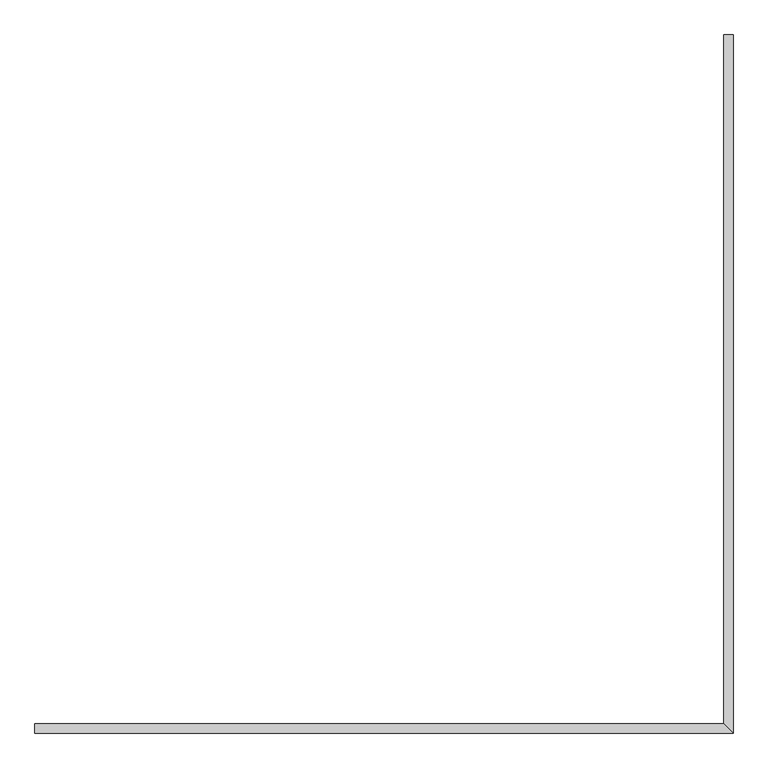
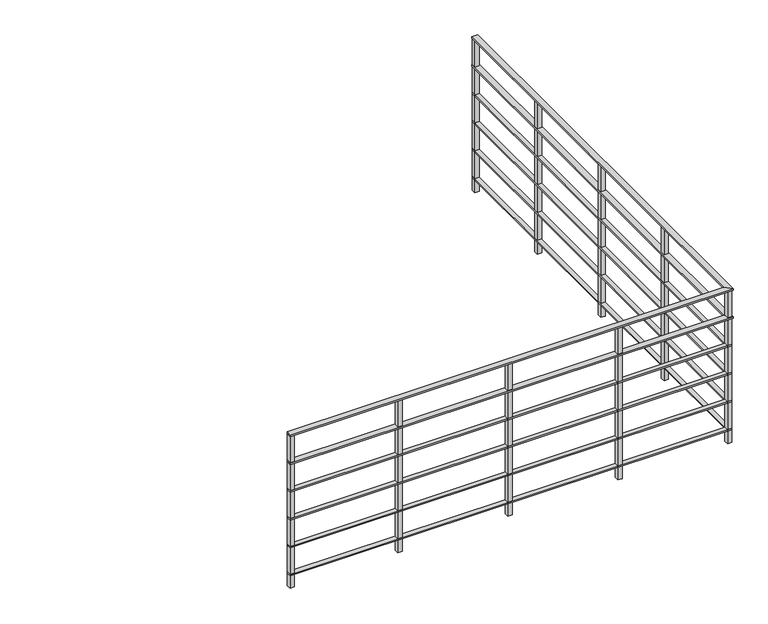
"""IFC4 building model written with IfcOpenShell, lengths in millimetres: railing geometry."""

from ifc_helpers import new_model, si_unit, frame, origin, place, context, project, spatial, polyline, outline, extrude, faceted_brep, source, transform, mapped, element, save


def railing_badc8aff(model_context):
    return source(origin(), model_context, "Body", "SolidModel", [
        faceted_brep([(68891.5540885, -10154.2688696, 4150.0), (68891.5540885, -10114.2688696, 4150.0), (68891.5540885, -10114.2688696, 4140.0), (68891.5540885, -10154.2688696, 4140.0), (71851.5540885, -10114.2688696, 4150.0), (71851.5540885, -10114.2688696, 4140.0), (71891.5540885, -10154.2688696, 4150.0), (71891.5540885, -7154.2688696, 4150.0), (71891.5540885, -7154.2688696, 4140.0), (71851.5540885, -7154.2688696, 4140.0), (71851.5540885, -7154.2688696, 4150.0), (71891.5540885, -10154.2688696, 4140.0)], [[[0, 1, 2, 3]], [[2, 1, 4, 5]], [[1, 0, 6, 4]], [[7, 8, 9, 10]], [[5, 4, 10, 9]], [[4, 6, 7, 10]], [[3, 2, 5, 11]], [[0, 3, 11, 6]], [[11, 5, 9, 8]], [[6, 11, 8, 7]]]),
        faceted_brep([(68891.5540885, -10154.2688696, 3950.0), (68891.5540885, -10114.2688696, 3950.0), (68891.5540885, -10114.2688696, 3940.0), (68891.5540885, -10154.2688696, 3940.0), (71851.5540885, -10114.2688696, 3950.0), (71851.5540885, -10114.2688696, 3940.0), (71891.5540885, -10154.2688696, 3950.0), (71891.5540885, -7154.2688696, 3950.0), (71891.5540885, -7154.2688696, 3940.0), (71851.5540885, -7154.2688696, 3940.0), (71851.5540885, -7154.2688696, 3950.0), (71891.5540885, -10154.2688696, 3940.0)], [[[0, 1, 2, 3]], [[2, 1, 4, 5]], [[1, 0, 6, 4]], [[7, 8, 9, 10]], [[5, 4, 10, 9]], [[4, 6, 7, 10]], [[3, 2, 5, 11]], [[0, 3, 11, 6]], [[11, 5, 9, 8]], [[6, 11, 8, 7]]]),
        faceted_brep([(68891.5540885, -10149.2688696, 3750.0), (68891.5540885, -10119.2688696, 3750.0), (68891.5540885, -10119.2688696, 3740.0), (68891.5540885, -10149.2688696, 3740.0), (71856.5540885, -10119.2688696, 3750.0), (71856.5540885, -10119.2688696, 3740.0), (71886.5540885, -10149.2688696, 3750.0), (71886.5540885, -7154.2688696, 3750.0), (71886.5540885, -7154.2688696, 3740.0), (71856.5540885, -7154.2688696, 3740.0), (71856.5540885, -7154.2688696, 3750.0), (71886.5540885, -10149.2688696, 3740.0)], [[[0, 1, 2, 3]], [[2, 1, 4, 5]], [[1, 0, 6, 4]], [[7, 8, 9, 10]], [[5, 4, 10, 9]], [[4, 6, 7, 10]], [[3, 2, 5, 11]], [[0, 3, 11, 6]], [[11, 5, 9, 8]], [[6, 11, 8, 7]]]),
        faceted_brep([(68891.5540885, -10149.2688696, 3550.0), (68891.5540885, -10119.2688696, 3550.0), (68891.5540885, -10119.2688696, 3540.0), (68891.5540885, -10149.2688696, 3540.0), (71856.5540885, -10119.2688696, 3550.0), (71856.5540885, -10119.2688696, 3540.0), (71886.5540885, -10149.2688696, 3550.0), (71886.5540885, -7154.2688696, 3550.0), (71886.5540885, -7154.2688696, 3540.0), (71856.5540885, -7154.2688696, 3540.0), (71856.5540885, -7154.2688696, 3550.0), (71886.5540885, -10149.2688696, 3540.0)], [[[0, 1, 2, 3]], [[2, 1, 4, 5]], [[1, 0, 6, 4]], [[7, 8, 9, 10]], [[5, 4, 10, 9]], [[4, 6, 7, 10]], [[3, 2, 5, 11]], [[0, 3, 11, 6]], [[11, 5, 9, 8]], [[6, 11, 8, 7]]]),
        faceted_brep([(68891.5540885, -10149.2688696, 3350.0), (68891.5540885, -10119.2688696, 3350.0), (68891.5540885, -10119.2688696, 3340.0), (68891.5540885, -10149.2688696, 3340.0), (71856.5540885, -10119.2688696, 3350.0), (71856.5540885, -10119.2688696, 3340.0), (71886.5540885, -10149.2688696, 3350.0), (71886.5540885, -7154.2688696, 3350.0), (71886.5540885, -7154.2688696, 3340.0), (71856.5540885, -7154.2688696, 3340.0), (71856.5540885, -7154.2688696, 3350.0), (71886.5540885, -10149.2688696, 3340.0)], [[[0, 1, 2, 3]], [[2, 1, 4, 5]], [[1, 0, 6, 4]], [[7, 8, 9, 10]], [[5, 4, 10, 9]], [[4, 6, 7, 10]], [[3, 2, 5, 11]], [[0, 3, 11, 6]], [[11, 5, 9, 8]], [[6, 11, 8, 7]]]),
        faceted_brep([(68891.5540885, -10149.2688696, 3150.0), (68891.5540885, -10119.2688696, 3150.0), (68891.5540885, -10119.2688696, 3140.0), (68891.5540885, -10149.2688696, 3140.0), (71856.5540885, -10119.2688696, 3150.0), (71856.5540885, -10119.2688696, 3140.0), (71886.5540885, -10149.2688696, 3150.0), (71886.5540885, -7154.2688696, 3150.0), (71886.5540885, -7154.2688696, 3140.0), (71856.5540885, -7154.2688696, 3140.0), (71856.5540885, -7154.2688696, 3150.0), (71886.5540885, -10149.2688696, 3140.0)], [[[0, 1, 2, 3]], [[2, 1, 4, 5]], [[1, 0, 6, 4]], [[7, 8, 9, 10]], [[5, 4, 10, 9]], [[4, 6, 7, 10]], [[3, 2, 5, 11]], [[0, 3, 11, 6]], [[11, 5, 9, 8]], [[6, 11, 8, 7]]]),
        extrude(outline(polyline([(71886.5540885, -7914.2688696), (71856.5540885, -7914.2688696), (71856.5540885, -7884.2688696), (71886.5540885, -7884.2688696), (71886.5540885, -7914.2688696)])), frame((0.0, 0.0, 3050.0), z_axis=(0.0, 0.0, 1.0), x_axis=(1.0, 0.0, 0.0)), (0.0, 0.0, 1.0), 1090.0),
        extrude(outline(polyline([(71886.5540885, -8659.2688696), (71856.5540885, -8659.2688696), (71856.5540885, -8629.2688696), (71886.5540885, -8629.2688696), (71886.5540885, -8659.2688696)])), frame((0.0, 0.0, 3050.0), z_axis=(0.0, 0.0, 1.0), x_axis=(1.0, 0.0, 0.0)), (0.0, 0.0, 1.0), 1090.0),
        extrude(outline(polyline([(71886.5540885, -9404.2688696), (71856.5540885, -9404.2688696), (71856.5540885, -9374.2688696), (71886.5540885, -9374.2688696), (71886.5540885, -9404.2688696)])), frame((0.0, 0.0, 3050.0), z_axis=(0.0, 0.0, 1.0), x_axis=(1.0, 0.0, 0.0)), (0.0, 0.0, 1.0), 1090.0),
        extrude(outline(polyline([(71886.5540885, -10149.2688696), (71856.5540885, -10149.2688696), (71856.5540885, -10119.2688696), (71886.5540885, -10119.2688696), (71886.5540885, -10149.2688696)])), frame((0.0, 0.0, 3050.0), z_axis=(0.0, 0.0, 1.0), x_axis=(1.0, 0.0, 0.0)), (0.0, 0.0, 1.0), 1090.0),
        extrude(outline(polyline([(71856.5540885, -10149.2688696), (71856.5540885, -10119.2688696), (71886.5540885, -10119.2688696), (71886.5540885, -10149.2688696), (71856.5540885, -10149.2688696)])), frame((0.0, 0.0, 3050.0), z_axis=(0.0, 0.0, 1.0), x_axis=(1.0, 0.0, 0.0)), (0.0, 0.0, 1.0), 1090.0),
        extrude(outline(polyline([(71111.5540885, -10149.2688696), (71111.5540885, -10119.2688696), (71141.5540885, -10119.2688696), (71141.5540885, -10149.2688696), (71111.5540885, -10149.2688696)])), frame((0.0, 0.0, 3050.0), z_axis=(0.0, 0.0, 1.0), x_axis=(1.0, 0.0, 0.0)), (0.0, 0.0, 1.0), 1090.0),
        extrude(outline(polyline([(70366.5540885, -10149.2688696), (70366.5540885, -10119.2688696), (70396.5540885, -10119.2688696), (70396.5540885, -10149.2688696), (70366.5540885, -10149.2688696)])), frame((0.0, 0.0, 3050.0), z_axis=(0.0, 0.0, 1.0), x_axis=(1.0, 0.0, 0.0)), (0.0, 0.0, 1.0), 1090.0),
        extrude(outline(polyline([(69621.5540885, -10149.2688696), (69621.5540885, -10119.2688696), (69651.5540885, -10119.2688696), (69651.5540885, -10149.2688696), (69621.5540885, -10149.2688696)])), frame((0.0, 0.0, 3050.0), z_axis=(0.0, 0.0, 1.0), x_axis=(1.0, 0.0, 0.0)), (0.0, 0.0, 1.0), 1090.0),
        extrude(outline(polyline([(71886.5540885, -7184.2688696), (71856.5540885, -7184.2688696), (71856.5540885, -7154.2688696), (71886.5540885, -7154.2688696), (71886.5540885, -7184.2688696)])), frame((0.0, 0.0, 3050.0), z_axis=(0.0, 0.0, 1.0), x_axis=(1.0, 0.0, 0.0)), (0.0, 0.0, 1.0), 1090.0),
        extrude(outline(polyline([(68891.5540885, -10149.2688696), (68891.5540885, -10119.2688696), (68921.5540885, -10119.2688696), (68921.5540885, -10149.2688696), (68891.5540885, -10149.2688696)])), frame((0.0, 0.0, 3050.0), z_axis=(0.0, 0.0, 1.0), x_axis=(1.0, 0.0, 0.0)), (0.0, 0.0, 1.0), 1090.0),
    ])


if __name__ == "__main__":
    model = new_model("IFC4")
    model_context = context("Model", 3, world=origin())
    ifc_project = project(units=[si_unit("LENGTHUNIT", "METRE", prefix="MILLI")], contexts=[model_context])
    site = spatial("IfcSite", under=ifc_project)
    building = spatial("IfcBuilding", under=site)
    placement = place(None, origin())
    railing_shape = railing_badc8aff(model_context)
    element("IfcRailing", 1, at=placement, inside=building, context=model_context, shape_type="MappedRepresentation", body=[
        mapped(railing_shape, transform((0.0, 0.0, 0.0), x_axis=(1.0, 0.0, 0.0), y_axis=(0.0, 1.0, 0.0), z_axis=(0.0, 0.0, 1.0))),
    ])
    save(model, "model.ifc")
